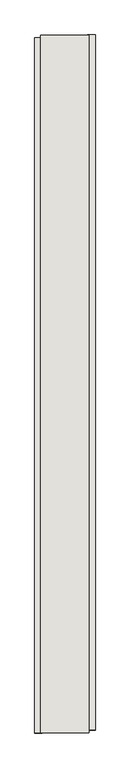
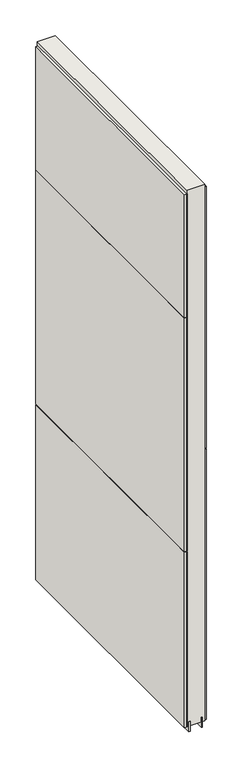
"""IFC4 building model written with IfcOpenShell, lengths in millimetres: wall geometry."""

from ifc_helpers import new_model, si_unit, frame, origin, place, context, project, spatial, polyline, outline, extrude, source, transform, mapped, element, save


def wall_306e4c95(model_context):
    return source(origin(), model_context, "Body", "SweptSolid", [
        extrude(outline(polyline([(48846.142211, -41852.2906666), (48846.142211, -41849.7506666), (48848.682211, -41849.7506666), (48848.682211, -41852.2906666), (48846.142211, -41852.2906666)])), frame((0.0, 0.0, 4419.6), z_axis=(0.0, 0.0, 1.0), x_axis=(1.0, 0.0, 0.0)), (0.0, 0.0, 1.0), 2.54),
        extrude(outline(polyline([(48898.212211, -41849.2875484), (48898.212211, -43013.6875564), (48885.512211, -43013.6875564), (48885.512211, -41849.2875484), (48898.212211, -41849.2875484)])), frame((0.0, 0.0, 5742.4000722), z_axis=(0.0, 0.0, 1.0), x_axis=(1.0, 0.0, 0.0)), (0.0, 0.0, 1.0), 1247.649905),
        extrude(outline(polyline([(48898.212211, -41849.2875484), (48898.212211, -43013.6875564), (48885.512211, -43013.6875564), (48885.512211, -41849.2875484), (48898.212211, -41849.2875484)])), frame((0.0, 0.0, 4445.0), z_axis=(0.0, 0.0, 1.0), x_axis=(1.0, 0.0, 0.0)), (0.0, 0.0, 1.0), 1293.400004),
        extrude(outline(polyline([(48796.612211, -43018.6174932), (48796.612211, -41854.2174852), (48809.312211, -41854.2174852), (48809.312211, -43018.6174932), (48796.612211, -43018.6174932)])), frame((0.0, 0.0, 6402.8000722), z_axis=(0.0, 0.0, 1.0), x_axis=(1.0, 0.0, 0.0)), (0.0, 0.0, 1.0), 587.2498034),
        extrude(outline(polyline([(48796.612211, -43018.6174932), (48796.612211, -41854.2174852), (48809.312211, -41854.2174852), (48809.312211, -43018.6174932), (48796.612211, -43018.6174932)])), frame((0.0, 0.0, 5285.2000722), z_axis=(0.0, 0.0, 1.0), x_axis=(1.0, 0.0, 0.0)), (0.0, 0.0, 1.0), 1113.5999572),
        extrude(outline(polyline([(48796.612211, -43018.6174932), (48796.612211, -41854.2174852), (48809.312211, -41854.2174852), (48809.312211, -43018.6174932), (48796.612211, -43018.6174932)])), frame((0.0, 0.0, 4445.0), z_axis=(0.0, 0.0, 1.0), x_axis=(1.0, 0.0, 0.0)), (0.0, 0.0, 1.0), 836.200004),
        extrude(outline(polyline([(48872.4959556, -43018.1525208), (48872.4959556, -41849.7525208), (48877.574711, -41849.7525208), (48877.574711, -43018.1525208), (48872.4959556, -43018.1525208)])), frame((0.0, 0.0, 4418.6602), z_axis=(0.0, 0.0, 1.0), x_axis=(1.0, 0.0, 0.0)), (0.0, 0.0, 1.0), 47.625),
        extrude(outline(polyline([(48872.4959556, -43018.1525208), (48872.4959556, -41849.7525208), (48877.574711, -41849.7525208), (48877.574711, -43018.1525208), (48872.4959556, -43018.1525208)])), frame((0.0, 0.0, 4418.6602), z_axis=(0.0, 0.0, 1.0), x_axis=(1.0, 0.0, 0.0)), (0.0, 0.0, 1.0), 47.625),
        extrude(outline(polyline([(48822.3315652, -41849.7525208), (48822.3315652, -43018.1525208), (48817.249711, -43018.1525208), (48817.249711, -41849.7525208), (48822.3315652, -41849.7525208)])), frame((0.0, 0.0, 4418.6602), z_axis=(0.0, 0.0, 1.0), x_axis=(1.0, 0.0, 0.0)), (0.0, 0.0, 1.0), 47.625),
        extrude(outline(polyline([(48822.3315652, -41849.7525208), (48822.3315652, -43018.1525208), (48817.249711, -43018.1525208), (48817.249711, -41849.7525208), (48822.3315652, -41849.7525208)])), frame((0.0, 0.0, 4418.6602), z_axis=(0.0, 0.0, 1.0), x_axis=(1.0, 0.0, 0.0)), (0.0, 0.0, 1.0), 47.625),
        extrude(outline(polyline([(48888.0391808, -43018.1525208), (48806.7604254, -43018.1525208), (48806.7604254, -41849.7525208), (48888.0391808, -41849.7525208), (48888.0391808, -43018.1525208)])), frame((0.0, 0.0, 4445.0), z_axis=(0.0, 0.0, 1.0), x_axis=(1.0, 0.0, 0.0)), (0.0, 0.0, 1.0), 2562.4536762),
    ])


if __name__ == "__main__":
    model = new_model("IFC4")
    model_context = context("Model", 3, world=origin())
    ifc_project = project(units=[si_unit("LENGTHUNIT", "METRE", prefix="MILLI")], contexts=[model_context])
    site = spatial("IfcSite", under=ifc_project)
    building = spatial("IfcBuilding", under=site)
    placement = place(None, origin())
    wall_shape = wall_306e4c95(model_context)
    element("IfcWall", 1, at=placement, inside=building, context=model_context, shape_type="MappedRepresentation", body=[
        mapped(wall_shape, transform((0.0, 0.0, 0.0), x_axis=(1.0, 0.0, 0.0), y_axis=(0.0, 1.0, 0.0), z_axis=(0.0, 0.0, 1.0))),
    ])
    save(model, "model.ifc")
